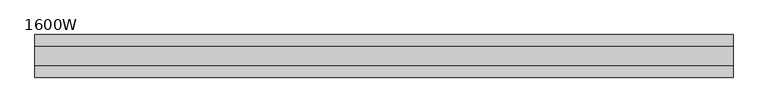
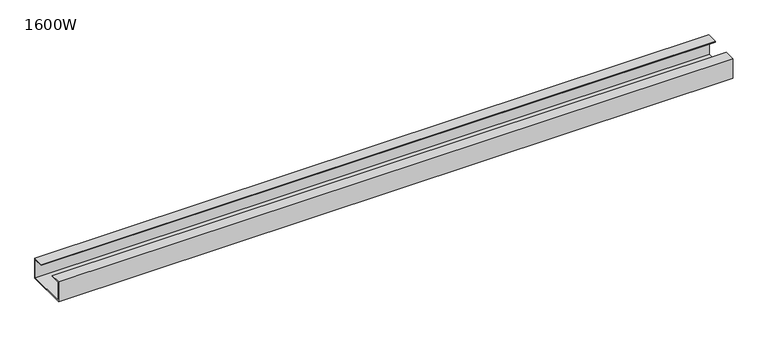
"""IFC4 building model written with IfcOpenShell, lengths in millimetres: furniture geometry, 1600W."""

from ifc_helpers import new_model, si_unit, frame, origin, place, context, project, spatial, polyline, outline, extrude, source, transform, mapped, element, save


def furniture_1600w_005142a3(model_context):
    return source(origin(), model_context, "Body", "SweptSolid", [
        extrude(outline(polyline([(47.3, 665.0), (-47.3, 665.0), (-47.3, 713.0), (-22.0, 713.0), (-22.0, 711.0), (-45.3, 711.0), (-45.3, 667.0), (45.3, 667.0), (45.3, 711.0), (22.0, 711.0), (22.0, 713.0), (47.3, 713.0), (47.3, 665.0)])), frame((-775.0, 0.0, 0.0), z_axis=(1.0, 0.0, 0.0), x_axis=(0.0, 1.0, 0.0)), (0.0, 0.0, 1.0), 1550.0),
    ])


if __name__ == "__main__":
    model = new_model("IFC4")
    model_context = context("Model", 3, world=origin())
    ifc_project = project(units=[si_unit("LENGTHUNIT", "METRE", prefix="MILLI")], contexts=[model_context])
    site = spatial("IfcSite", under=ifc_project)
    building = spatial("IfcBuilding", under=site)
    placement = place(None, origin())
    furniture_1600w_shape = furniture_1600w_005142a3(model_context)
    element("IfcFurniture", 1, ObjectType="1600W", at=placement, inside=building, context=model_context, shape_type="MappedRepresentation", body=[
        mapped(furniture_1600w_shape, transform((0.0, 0.0, 0.0), x_axis=(1.0, 0.0, 0.0), y_axis=(0.0, 1.0, 0.0), z_axis=(0.0, 0.0, 1.0))),
    ])
    save(model, "model.ifc")
